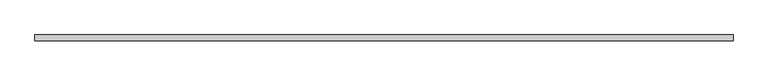
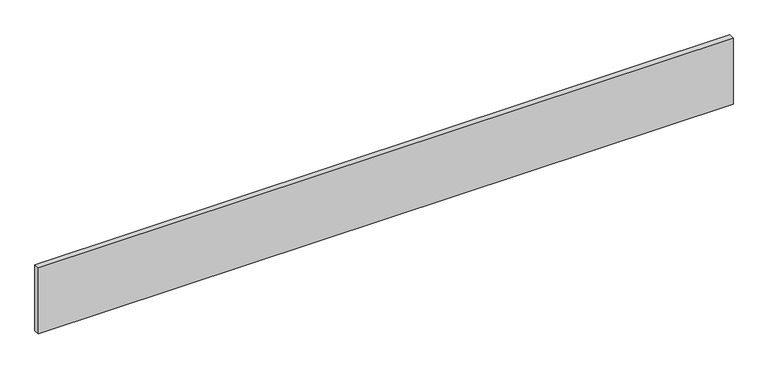
"""IFC4 building model written with IfcOpenShell, lengths in millimetres: proxy geometry."""

from ifc_helpers import new_model, si_unit, frame, origin, place, context, project, spatial, polyline, outline, extrude, source, transform, mapped, element, save


def generic_models_af9f9167(model_context):
    return source(origin(), model_context, "Body", "SweptSolid", [
        extrude(outline(polyline([(-8655.1573603, 470.1376285), (-10172.8073603, 470.1376285), (-10172.8073603, 482.8376285), (-8655.1573603, 482.8376285), (-8655.1573603, 470.1376285)])), frame((0.0, 0.0, 914.4), z_axis=(0.0, 0.0, 1.0), x_axis=(1.0, 0.0, 0.0)), (0.0, 0.0, 1.0), 152.4),
    ])


if __name__ == "__main__":
    model = new_model("IFC4")
    model_context = context("Model", 3, world=origin())
    ifc_project = project(units=[si_unit("LENGTHUNIT", "METRE", prefix="MILLI")], contexts=[model_context])
    site = spatial("IfcSite", under=ifc_project)
    building = spatial("IfcBuilding", under=site)
    placement = place(None, origin())
    generic_models_shape = generic_models_af9f9167(model_context)
    element("IfcBuildingElementProxy", 1, Name="Generic Models", at=placement, inside=building, context=model_context, shape_type="MappedRepresentation", body=[
        mapped(generic_models_shape, transform((0.0, 0.0, 0.0), x_axis=(1.0, 0.0, 0.0), y_axis=(0.0, 1.0, 0.0), z_axis=(0.0, 0.0, 1.0))),
    ])
    save(model, "model.ifc")
